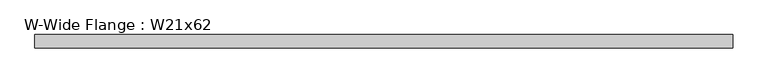
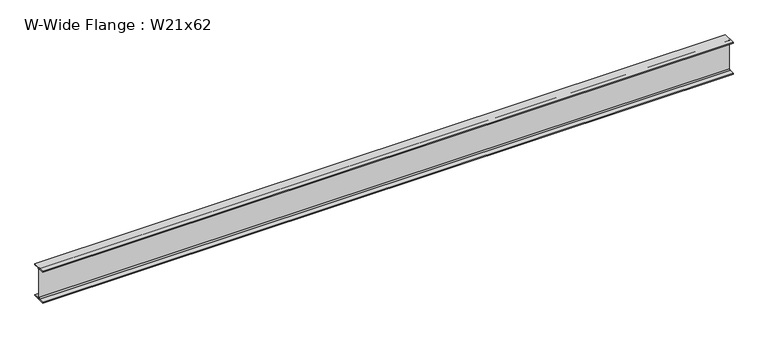
"""IFC4 building model written with IfcOpenShell, lengths in millimetres: beam geometry, W-Wide Flange : W21x62."""

from ifc_helpers import new_model, si_unit, point, frame, frame_2d, origin, place, context, project, spatial, polyline, circle_curve, trimmed, segment, composite_curve, outline, extrude, source, transform, mapped, element, save


def w_wide_flange_w21x62_bc19e029(model_context):
    return source(origin(), model_context, "Body", "SweptSolid", [
        extrude(outline(composite_curve([segment(polyline([(104.648, -251.079), (104.648, -266.7), (-104.648, -266.7), (-104.648, -251.079), (-22.7965, -251.079)]), True, "CONTINUOUS"), segment(trimmed(circle_curve(frame_2d((-22.7965, -233.3625)), 17.7165), [point((-22.7965, -251.079))], [point((-5.08, -233.3625))], True, "CARTESIAN"), True, "CONTINUOUS"), segment(polyline([(-5.08, -233.3625), (-5.08, 233.3625)]), True, "CONTINUOUS"), segment(trimmed(circle_curve(frame_2d((-22.7965, 233.3625)), 17.7165), [point((-5.08, 233.3625))], [point((-22.7965, 251.079))], True, "CARTESIAN"), True, "CONTINUOUS"), segment(polyline([(-22.7965, 251.079), (-104.648, 251.079), (-104.648, 266.7), (104.648, 266.7), (104.648, 251.079), (22.7965, 251.079)]), True, "CONTINUOUS"), segment(trimmed(circle_curve(frame_2d((22.7965, 233.3625)), 17.7165), [point((22.7965, 251.079))], [point((5.08, 233.3625))], True, "CARTESIAN"), True, "CONTINUOUS"), segment(polyline([(5.08, 233.3625), (5.08, -233.3625)]), True, "CONTINUOUS"), segment(trimmed(circle_curve(frame_2d((22.7965, -233.3625)), 17.7165), [point((5.08, -233.3625))], [point((22.7965, -251.079))], True, "CARTESIAN"), True, "CONTINUOUS"), segment(polyline([(22.7965, -251.079), (104.648, -251.079)]), True, "CONTINUOUS")], self_intersect=False)), frame((-5468.366, 0.0, 0.0), z_axis=(1.0, 0.0, 0.0), x_axis=(0.0, 1.0, 0.0)), (0.0, 0.0, 1.0), 10936.732),
    ])


if __name__ == "__main__":
    model = new_model("IFC4")
    model_context = context("Model", 3, world=origin())
    ifc_project = project(units=[si_unit("LENGTHUNIT", "METRE", prefix="MILLI")], contexts=[model_context])
    site = spatial("IfcSite", under=ifc_project)
    building = spatial("IfcBuilding", under=site)
    placement = place(None, origin())
    w_wide_flange_w21x62_shape = w_wide_flange_w21x62_bc19e029(model_context)
    element("IfcBeam", 1, ObjectType="W-Wide Flange : W21x62", at=placement, inside=building, context=model_context, shape_type="MappedRepresentation", body=[
        mapped(w_wide_flange_w21x62_shape, transform((0.0, 0.0, 0.0), x_axis=(1.0, 0.0, 0.0), y_axis=(0.0, 1.0, 0.0), z_axis=(0.0, 0.0, 1.0))),
    ])
    save(model, "model.ifc")
